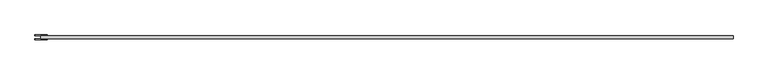
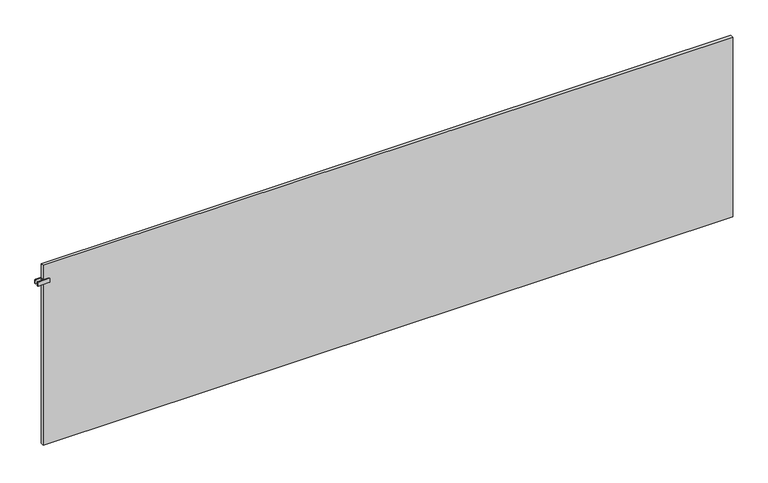
"""IFC4 building model written with IfcOpenShell, lengths in millimetres: plate geometry."""

from ifc_helpers import new_model, si_unit, point, frame, frame_2d, origin, origin_with_axes, place, context, project, spatial, polyline, circle_curve, trimmed, segment, composite_curve, outline, extrude, source, transform, mapped, element, save


def plate_a5bcac83(model_context):
    return source(origin(), model_context, "Body", "SweptSolid", [
        extrude(outline(polyline([(-1997.5, -40.75), (-1997.5, -23.25), (-1992.5, -23.25), (-1992.5, -40.75), (-1997.5, -40.75)])), frame((0.0, 0.0, 987.5), z_axis=(0.0, 0.0, 1.0), x_axis=(1.0, 0.0, 0.0)), (0.0, 0.0, 1.0), 25.0),
        extrude(outline(composite_curve([segment(trimmed(circle_curve(frame_2d((990.5, -1963.0)), 3.0), [point((987.5, -1963.0))], [point((990.5, -1960.0))], False, "CARTESIAN"), True, "CONTINUOUS"), segment(polyline([(990.5, -1960.0), (1009.5, -1960.0)]), True, "CONTINUOUS"), segment(trimmed(circle_curve(frame_2d((1009.5, -1963.0)), 3.0), [point((1009.5, -1960.0))], [point((1012.5, -1963.0))], False, "CARTESIAN"), True, "CONTINUOUS"), segment(polyline([(1012.5, -1963.0), (1012.5, -2027.0)]), True, "CONTINUOUS"), segment(trimmed(circle_curve(frame_2d((1009.5, -2027.0)), 3.0), [point((1012.5, -2027.0))], [point((1009.5, -2030.0))], False, "CARTESIAN"), True, "CONTINUOUS"), segment(polyline([(1009.5, -2030.0), (990.5, -2030.0)]), True, "CONTINUOUS"), segment(trimmed(circle_curve(frame_2d((990.5, -2027.0)), 3.0), [point((990.5, -2030.0))], [point((987.5, -2027.0))], False, "CARTESIAN"), True, "CONTINUOUS"), segment(polyline([(987.5, -2027.0), (987.5, -1963.0)]), True, "CONTINUOUS")], self_intersect=False)), frame((0.0, -23.25, 0.0), z_axis=(0.0, 1.0, 0.0), x_axis=(0.0, 0.0, 1.0)), (0.0, 0.0, 1.0), 5.0),
        extrude(outline(composite_curve([segment(trimmed(circle_curve(frame_2d((990.5, -1963.0)), 3.0), [point((987.5, -1963.0))], [point((990.5, -1960.0))], False, "CARTESIAN"), True, "CONTINUOUS"), segment(polyline([(990.5, -1960.0), (1009.5, -1960.0)]), True, "CONTINUOUS"), segment(trimmed(circle_curve(frame_2d((1009.5, -1963.0)), 3.0), [point((1009.5, -1960.0))], [point((1012.5, -1963.0))], False, "CARTESIAN"), True, "CONTINUOUS"), segment(polyline([(1012.5, -1963.0), (1012.5, -2027.0)]), True, "CONTINUOUS"), segment(trimmed(circle_curve(frame_2d((1009.5, -2027.0)), 3.0), [point((1012.5, -2027.0))], [point((1009.5, -2030.0))], False, "CARTESIAN"), True, "CONTINUOUS"), segment(polyline([(1009.5, -2030.0), (990.5, -2030.0)]), True, "CONTINUOUS"), segment(trimmed(circle_curve(frame_2d((990.5, -2027.0)), 3.0), [point((990.5, -2030.0))], [point((987.5, -2027.0))], False, "CARTESIAN"), True, "CONTINUOUS"), segment(polyline([(987.5, -2027.0), (987.5, -1963.0)]), True, "CONTINUOUS")], self_intersect=False)), frame((0.0, -45.75, 0.0), z_axis=(0.0, 1.0, 0.0), x_axis=(0.0, 0.0, 1.0)), (0.0, 0.0, 1.0), 5.0),
        extrude(outline(polyline([(1995.0, -23.25), (1995.0, -40.75), (-1995.0, -40.75), (-1995.0, -23.25), (1995.0, -23.25)])), origin_with_axes(), (0.0, 0.0, 1.0), 1100.0),
    ])


if __name__ == "__main__":
    model = new_model("IFC4")
    model_context = context("Model", 3, world=origin())
    ifc_project = project(units=[si_unit("LENGTHUNIT", "METRE", prefix="MILLI")], contexts=[model_context])
    site = spatial("IfcSite", under=ifc_project)
    building = spatial("IfcBuilding", under=site)
    placement = place(None, origin())
    plate_shape = plate_a5bcac83(model_context)
    element("IfcPlate", 1, at=placement, inside=building, context=model_context, shape_type="MappedRepresentation", body=[
        mapped(plate_shape, transform((0.0, 0.0, 0.0), x_axis=(1.0, 0.0, 0.0), y_axis=(0.0, 1.0, 0.0), z_axis=(0.0, 0.0, 1.0))),
    ])
    save(model, "model.ifc")
